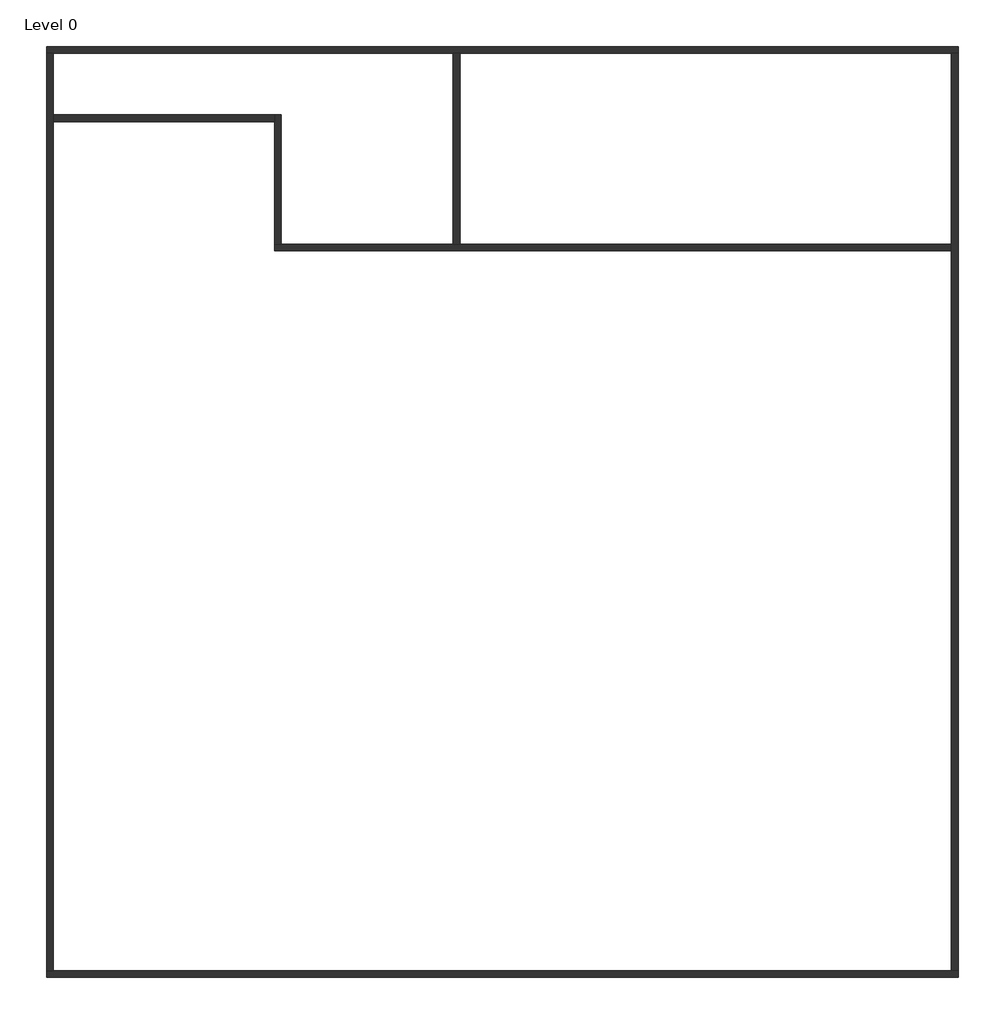
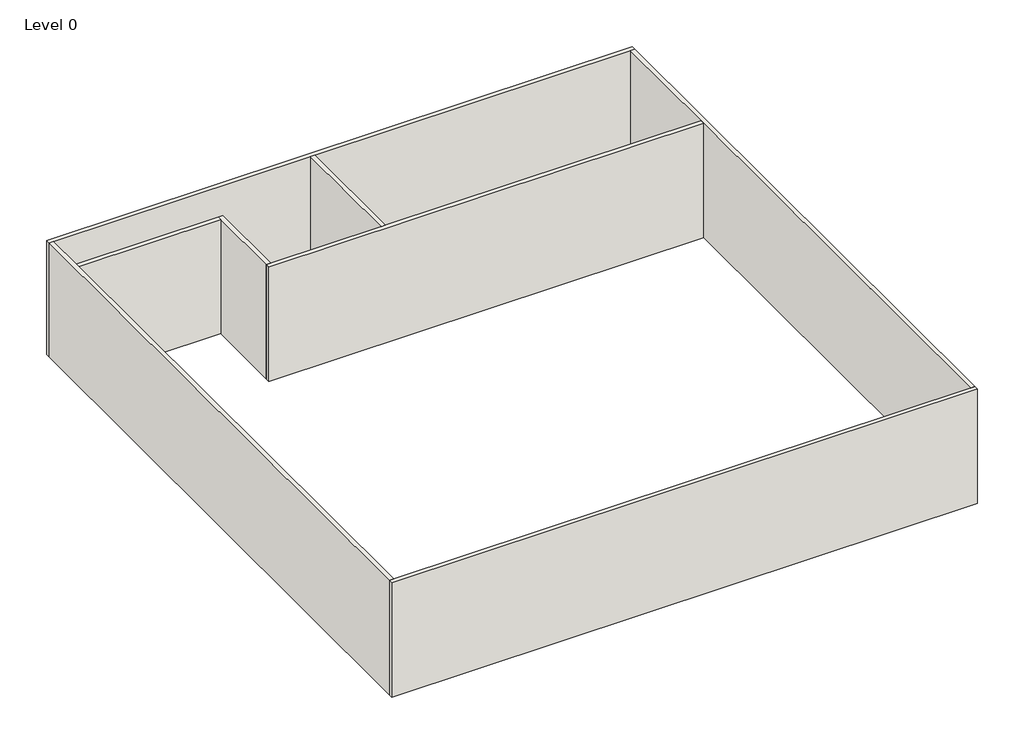
# One storey: 8 walls.
"""IFC4 building model written with IfcOpenShell, lengths in millimetres."""

import ifcopenshell
import ifcopenshell.guid

model = None  # the IFC model being written
_history = None  # IfcOwnerHistory: only IFC2X3 demands one
_inside = {}  # id of a spatial element -> (the spatial element, [elements in it])
_under = {}  # id of a project, library or spatial element -> (it, [spatial elements below it])
_declared = {}  # id of a project -> (the project, [libraries it declares])
_typed = {}  # id of a type object -> (the type object, [elements of that type])
_made_of = {}  # id of a material, layer set ... -> (it, [elements and type objects made of it])


def new_model(schema):
    """Start an empty IFC model of exactly this schema.

    Asked for "IFC4X3", IfcOpenShell would pick the latest addendum, in which some entities
    have other attributes; the version numbers below select the first issue.
    IFC2X3 requires an IfcOwnerHistory on every rooted entity: one is made here for all.
    """
    global model, _history
    if schema == "IFC4X3":
        model = ifcopenshell.file(schema_version=(4, 3, 0, 0))
    else:
        model = ifcopenshell.file(schema=schema)
    _inside.clear()
    _under.clear()
    _declared.clear()
    _typed.clear()
    _made_of.clear()
    _history = None
    if model.schema == "IFC2X3":
        org = make("IfcOrganization", Name="unknown")
        user = make(
            "IfcPersonAndOrganization",
            ThePerson=make("IfcPerson", FamilyName="unknown"),
            TheOrganization=org,
        )
        app = make(
            "IfcApplication",
            ApplicationDeveloper=org,
            Version="unknown",
            ApplicationFullName="unknown",
            ApplicationIdentifier="unknown",
        )
        _history = make(
            "IfcOwnerHistory",
            OwningUser=user,
            OwningApplication=app,
            ChangeAction="ADDED",
            CreationDate=0,
        )
    return model


def make(cls, **values):
    """One entity of the class cls with the attributes given. An attribute that is None is left unset."""
    return model.create_entity(
        cls, **{name: value for name, value in values.items() if value is not None}
    )


def rooted(cls, **values):
    """An entity with a GlobalId (a new one), such as an element, a storey or a relation."""
    return make(cls, GlobalId=ifcopenshell.guid.new(), OwnerHistory=_history, **values)


def si_unit(unit_type, name, prefix=None):
    """IfcSIUnit, for example si_unit("LENGTHUNIT", "METRE", prefix="MILLI")."""
    return make("IfcSIUnit", UnitType=unit_type, Prefix=prefix, Name=name)


def assignment(units):
    """IfcUnitAssignment: the units of a project."""
    return None if units is None else make("IfcUnitAssignment", Units=units)


def point(xyz):
    """IfcCartesianPoint."""
    return None if xyz is None else make("IfcCartesianPoint", Coordinates=xyz)


def direction(xyz):
    """IfcDirection."""
    return None if xyz is None else make("IfcDirection", DirectionRatios=xyz)


def frame(location, z_axis=None, x_axis=None):
    """IfcAxis2Placement3D, a coordinate frame: its origin and axes. An axis left out is left unset."""
    return make(
        "IfcAxis2Placement3D",
        Location=point(location),
        Axis=direction(z_axis),
        RefDirection=direction(x_axis),
    )


def origin():
    """The frame at (0, 0, 0) with its axes left unset."""
    return frame((0.0, 0.0, 0.0))


def origin_with_axes():
    """The frame at (0, 0, 0) with the z axis (0, 0, 1) and the x axis (1, 0, 0) written out."""
    return frame((0.0, 0.0, 0.0), z_axis=(0.0, 0.0, 1.0), x_axis=(1.0, 0.0, 0.0))


def place(relative_to, where):
    """IfcLocalPlacement: puts the frame where relative to a parent placement (None: the world)."""
    return make(
        "IfcLocalPlacement", PlacementRelTo=relative_to, RelativePlacement=where
    )


def context(
    kind, dimensions, precision=None, world=None, true_north=None, identifier=None
):
    """IfcGeometricRepresentationContext, for example the 3D "Model" context."""
    return make(
        "IfcGeometricRepresentationContext",
        ContextIdentifier=identifier,
        ContextType=kind,
        CoordinateSpaceDimension=dimensions,
        Precision=precision,
        WorldCoordinateSystem=world,
        TrueNorth=true_north,
    )


def project(units=None, contexts=None):
    """IfcProject with its units and contexts."""
    return rooted(
        "IfcProject",
        Name="project",
        RepresentationContexts=contexts,
        UnitsInContext=assignment(units),
    )


def spatial(cls, under=None, at=None, **own):
    """A site, building, storey or space (cls), placed at a placement, below another one or the project."""
    s = rooted(cls, ObjectPlacement=at, **own)
    if under is not None:
        _under.setdefault(under.id(), (under, []))[1].append(s)
    return s


def polyline(points):
    """IfcPolyline through the points."""
    return make("IfcPolyline", Points=[point(p) for p in points])


def outline(outer, holes=None, kind="AREA"):
    """IfcArbitraryClosedProfileDef: a profile drawn as a closed curve; with holes, ...WithVoids."""
    if holes is None:
        return make("IfcArbitraryClosedProfileDef", ProfileType=kind, OuterCurve=outer)
    return make(
        "IfcArbitraryProfileDefWithVoids",
        ProfileType=kind,
        OuterCurve=outer,
        InnerCurves=holes,
    )


def extrude(swept, where, along, depth):
    """IfcExtrudedAreaSolid: the profile swept, set in the frame where, extruded along a direction by depth."""
    return make(
        "IfcExtrudedAreaSolid",
        SweptArea=swept,
        Position=where,
        ExtrudedDirection=direction(along),
        Depth=depth,
    )


def faces_of(points, faces, orient=None, outer=None):
    """IfcFace entities. A face is a list of loops; a loop is a list of indices into points, from 0.

    orient and outer hold one flag for each loop. By default every Orientation is true, the
    first loop of a face is its IfcFaceOuterBound and the others are IfcFaceBound.
    """
    made = []
    for i, loops in enumerate(faces):
        bounds = []
        for j, loop in enumerate(loops):
            is_outer = j == 0 if outer is None else outer[i][j]
            bounds.append(
                make(
                    "IfcFaceOuterBound" if is_outer else "IfcFaceBound",
                    Bound=make("IfcPolyLoop", Polygon=[points[k] for k in loop]),
                    Orientation=True if orient is None else orient[i][j],
                )
            )
        made.append(make("IfcFace", Bounds=bounds))
    return made


def faceted_brep(points, faces, orient=None, outer=None, voids=None):
    """IfcFacetedBrep: a solid bounded by flat faces; with voids (closed shells), ...WithVoids."""
    shared = [point(p) for p in points]
    hull = make("IfcClosedShell", CfsFaces=faces_of(shared, faces, orient, outer))
    if voids is None:
        return make("IfcFacetedBrep", Outer=hull)
    return make(
        "IfcFacetedBrepWithVoids",
        Outer=hull,
        Voids=[
            make(cls, CfsFaces=faces_of(shared, fs, o, b)) for cls, fs, o, b in voids
        ],
    )


def shape(context_of_items, identifier, shape_type, items):
    """IfcShapeRepresentation: the items that make up one representation, for example the "Body"."""
    return make(
        "IfcShapeRepresentation",
        ContextOfItems=context_of_items,
        RepresentationIdentifier=identifier,
        RepresentationType=shape_type,
        Items=items,
    )


def made_of(thing, what):
    """Note that an element or type object is made of a material, layer set ...; save() writes the relation."""
    if what is not None:
        _made_of.setdefault(what.id(), (what, []))[1].append(thing)
    return thing


def element(
    cls,
    number,
    at=None,
    inside=None,
    cuts=None,
    type_object=None,
    material=None,
    context=None,
    identifier="Body",
    shape_type=None,
    held_by="IfcProductDefinitionShape",
    body=None,
    shapes=None,
    **own,
):
    """One element of the class cls, such as IfcWall. Its Tag is "e" and its number.

    at: its placement. inside: the storey or other place that contains it. cuts: it is an
    opening in that element (IfcRelVoidsElement). A single representation is given by context,
    identifier, shape_type and body (its items); several are given by shapes. held_by: the class
    of the entity that holds the representations. save() writes the other relations.
    """
    e = rooted(cls, Tag="e%d" % number, ObjectPlacement=at, **own)
    if body is not None:
        shapes = [shape(context, identifier, shape_type, body)]
    if shapes is not None:
        e.Representation = make(held_by, Representations=shapes)
    if inside is not None:
        _inside.setdefault(inside.id(), (inside, []))[1].append(e)
    if cuts is not None:
        rooted(
            "IfcRelVoidsElement", RelatingBuildingElement=cuts, RelatedOpeningElement=e
        )
    if type_object is not None:
        _typed.setdefault(type_object.id(), (type_object, []))[1].append(e)
    return made_of(e, material)


def aggregate(whole, parts):
    """IfcRelAggregates: a whole, such as a stair, and the parts it consists of."""
    return rooted("IfcRelAggregates", RelatingObject=whole, RelatedObjects=parts)


def save(model, path):
    """Write the relations noted so far, then the file.

    IfcRelAggregates (storeys below a building ...), IfcRelContainedInSpatialStructure (elements
    in a storey), IfcRelDefinesByType, IfcRelAssociatesMaterial and IfcRelDeclares: one each for
    every whole, place, type object, material and project.
    """
    for whole, parts in _under.values():
        aggregate(whole, parts)
    for where, things in _inside.values():
        rooted(
            "IfcRelContainedInSpatialStructure",
            RelatedElements=things,
            RelatingStructure=where,
        )
    for kind, things in _typed.values():
        rooted("IfcRelDefinesByType", RelatedObjects=things, RelatingType=kind)
    for what, things in _made_of.values():
        rooted("IfcRelAssociatesMaterial", RelatedObjects=things, RelatingMaterial=what)
    for by, libraries in _declared.values():
        rooted("IfcRelDeclares", RelatingContext=by, RelatedDefinitions=libraries)
    model.write(path)


model = new_model("IFC4")

# Units and contexts
model_context = context("Model", 3, world=origin())
ifc_project = project(units=[si_unit("LENGTHUNIT", "METRE", prefix="MILLI")], contexts=[model_context])

# Site, building, storey
site = spatial("IfcSite", under=ifc_project)
building = spatial("IfcBuilding", under=site)
storey = spatial("IfcBuildingStorey", under=building, Name="Level 0", Elevation=0.0)

# Walls
placement = place(None, origin())
element("IfcWall", 1, at=placement, inside=storey, context=model_context, shape_type="Brep", body=[
    faceted_brep([(-7245.3021368, 9263.3129005, 0.0), (-6955.3021368, 9263.3129005, 0.0), (10054.6978632, 9263.3129005, 0.0), (10344.6978632, 9263.3129005, 0.0), (31254.6978632, 9263.3129005, 0.0), (31544.6978632, 9263.3129005, 0.0), (31544.6978632, 9263.3129005, 8000.0), (31254.6978632, 9263.3129005, 8000.0), (10344.6978632, 9263.3129005, 8000.0), (10054.6978632, 9263.3129005, 8000.0), (-6955.3021368, 9263.3129005, 8000.0), (-7245.3021368, 9263.3129005, 8000.0), (-7245.3021368, 9553.3129005, 0.0), (-7245.3021368, 9553.3129005, 8000.0), (31544.6978632, 9553.3129005, 8000.0), (31544.6978632, 9553.3129005, 0.0)], [[[0, 1, 2, 3, 4, 5, 6, 7, 8, 9, 10, 11]], [[12, 13, 14, 15]], [[5, 4, 3, 2, 1, 0, 12, 15]], [[11, 10, 9, 8, 7, 6, 14, 13]], [[0, 11, 13, 12]], [[6, 5, 15, 14]]]),
])
element("IfcWall", 2, at=placement, inside=storey, context=model_context, shape_type="SweptSolid", body=[
    extrude(outline(polyline([(10054.6978632, 1153.3129005), (10054.6978632, 9263.3129005), (10344.6978632, 9263.3129005), (10344.6978632, 1153.3129005), (10054.6978632, 1153.3129005)])), origin_with_axes(), (0.0, 0.0, 1.0), 8000.0),
])
element("IfcWall", 3, at=placement, inside=storey, context=model_context, shape_type="Brep", body=[
    faceted_brep([(31254.6978632, 1153.3129005, 0.0), (10344.6978632, 1153.3129005, 0.0), (10054.6978632, 1153.3129005, 0.0), (2744.6978632, 1153.3129005, 0.0), (2454.6978632, 1153.3129005, 0.0), (2454.6978632, 1153.3129005, 8000.0), (2744.6978632, 1153.3129005, 8000.0), (10054.6978632, 1153.3129005, 8000.0), (10344.6978632, 1153.3129005, 8000.0), (31254.6978632, 1153.3129005, 8000.0), (31254.6978632, 863.3129005, 0.0), (31254.6978632, 863.3129005, 8000.0), (2454.6978632, 863.3129005, 8000.0), (2454.6978632, 863.3129005, 0.0)], [[[0, 1, 2, 3, 4, 5, 6, 7, 8, 9]], [[10, 11, 12, 13]], [[4, 3, 2, 1, 0, 10, 13]], [[9, 8, 7, 6, 5, 12, 11]], [[5, 4, 13, 12]], [[0, 9, 11, 10]]]),
])
element("IfcWall", 4, at=placement, inside=storey, context=model_context, shape_type="Brep", body=[
    faceted_brep([(2744.6978632, 1153.3129005, 0.0), (2744.6978632, 6653.3129005, 0.0), (2744.6978632, 6653.3129005, 8000.0), (2744.6978632, 1153.3129005, 8000.0), (2454.6978632, 1153.3129005, 0.0), (2454.6978632, 1153.3129005, 8000.0), (2454.6978632, 6363.3129005, 8000.0), (2454.6978632, 6653.3129005, 8000.0), (2454.6978632, 6653.3129005, 0.0), (2454.6978632, 6363.3129005, 0.0)], [[[0, 1, 2, 3]], [[4, 5, 6, 7, 8, 9]], [[1, 0, 4, 9, 8]], [[3, 2, 7, 6, 5]], [[0, 3, 5, 4]], [[2, 1, 8, 7]]]),
])
element("IfcWall", 5, at=placement, inside=storey, context=model_context, shape_type="SweptSolid", body=[
    extrude(outline(polyline([(-6955.3021368, 6653.3129005), (2454.6978632, 6653.3129005), (2454.6978632, 6363.3129005), (-6955.3021368, 6363.3129005), (-6955.3021368, 6653.3129005)])), origin_with_axes(), (0.0, 0.0, 1.0), 8000.0),
])
element("IfcWall", 6, at=placement, inside=storey, context=model_context, shape_type="Brep", body=[
    faceted_brep([(-6955.3021368, -29746.6870995, 0.0), (-6955.3021368, 6363.3129005, 0.0), (-6955.3021368, 6653.3129005, 0.0), (-6955.3021368, 9263.3129005, 0.0), (-6955.3021368, 9263.3129005, 8000.0), (-6955.3021368, 6653.3129005, 8000.0), (-6955.3021368, 6363.3129005, 8000.0), (-6955.3021368, -29746.6870995, 8000.0), (-7245.3021368, -29746.6870995, 0.0), (-7245.3021368, -29746.6870995, 8000.0), (-7245.3021368, 9263.3129005, 8000.0), (-7245.3021368, 9263.3129005, 0.0)], [[[0, 1, 2, 3, 4, 5, 6, 7]], [[8, 9, 10, 11]], [[3, 2, 1, 0, 8, 11]], [[7, 6, 5, 4, 10, 9]], [[4, 3, 11, 10]], [[0, 7, 9, 8]]]),
])
element("IfcWall", 7, at=placement, inside=storey, context=model_context, shape_type="Brep", body=[
    faceted_brep([(-7245.3021368, -30036.6870995, 0.0), (31544.6978632, -30036.6870995, 0.0), (31544.6978632, -30036.6870995, 8000.0), (-7245.3021368, -30036.6870995, 8000.0), (-7245.3021368, -29746.6870995, 0.0), (-7245.3021368, -29746.6870995, 8000.0), (-6955.3021368, -29746.6870995, 8000.0), (31254.6978632, -29746.6870995, 8000.0), (31544.6978632, -29746.6870995, 8000.0), (31544.6978632, -29746.6870995, 0.0), (31254.6978632, -29746.6870995, 0.0), (-6955.3021368, -29746.6870995, 0.0)], [[[0, 1, 2, 3]], [[4, 5, 6, 7, 8, 9, 10, 11]], [[1, 0, 4, 11, 10, 9]], [[3, 2, 8, 7, 6, 5]], [[0, 3, 5, 4]], [[2, 1, 9, 8]]]),
])
element("IfcWall", 8, at=placement, inside=storey, context=model_context, shape_type="Brep", body=[
    faceted_brep([(31544.6978632, -29746.6870995, 0.0), (31544.6978632, 9263.3129005, 0.0), (31544.6978632, 9263.3129005, 8000.0), (31544.6978632, -29746.6870995, 8000.0), (31254.6978632, -29746.6870995, 0.0), (31254.6978632, -29746.6870995, 8000.0), (31254.6978632, 863.3129005, 8000.0), (31254.6978632, 1153.3129005, 8000.0), (31254.6978632, 9263.3129005, 8000.0), (31254.6978632, 9263.3129005, 0.0), (31254.6978632, 1153.3129005, 0.0), (31254.6978632, 863.3129005, 0.0)], [[[0, 1, 2, 3]], [[4, 5, 6, 7, 8, 9, 10, 11]], [[1, 0, 4, 11, 10, 9]], [[3, 2, 8, 7, 6, 5]], [[2, 1, 9, 8]], [[0, 3, 5, 4]]]),
])

save(model, "model.ifc")
